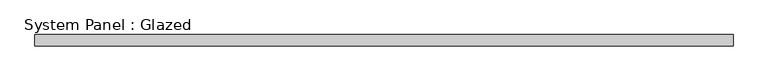
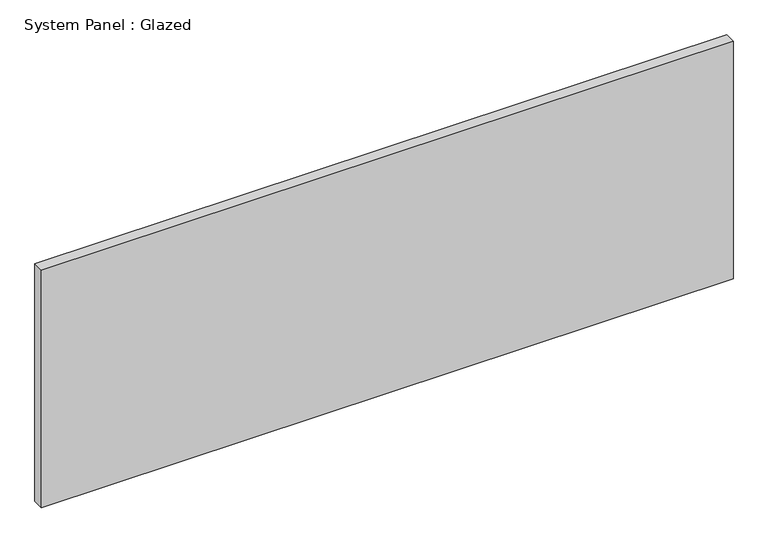
"""IFC4 building model written with IfcOpenShell, lengths in millimetres: plate geometry, System Panel : Glazed."""

from ifc_helpers import new_model, si_unit, origin, origin_with_axes, place, context, project, spatial, polyline, outline, extrude, source, transform, mapped, element, save


def system_panel_glazed_88624ec6(model_context):
    return source(origin(), model_context, "Body", "SweptSolid", [
        extrude(outline(polyline([(781.562846, 24.5), (-781.562846, 24.5), (-781.562846, 49.5), (781.562846, 49.5), (781.562846, 24.5)])), origin_with_axes(), (0.0, 0.0, 1.0), 567.0666667),
    ])


if __name__ == "__main__":
    model = new_model("IFC4")
    model_context = context("Model", 3, world=origin())
    ifc_project = project(units=[si_unit("LENGTHUNIT", "METRE", prefix="MILLI")], contexts=[model_context])
    site = spatial("IfcSite", under=ifc_project)
    building = spatial("IfcBuilding", under=site)
    placement = place(None, origin())
    system_panel_glazed_shape = system_panel_glazed_88624ec6(model_context)
    element("IfcPlate", 1, ObjectType="System Panel : Glazed", at=placement, inside=building, context=model_context, shape_type="MappedRepresentation", body=[
        mapped(system_panel_glazed_shape, transform((0.0, 0.0, 0.0), x_axis=(1.0, 0.0, 0.0), y_axis=(0.0, 1.0, 0.0), z_axis=(0.0, 0.0, 1.0))),
    ])
    save(model, "model.ifc")
